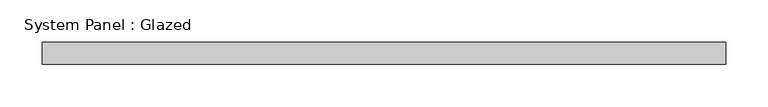
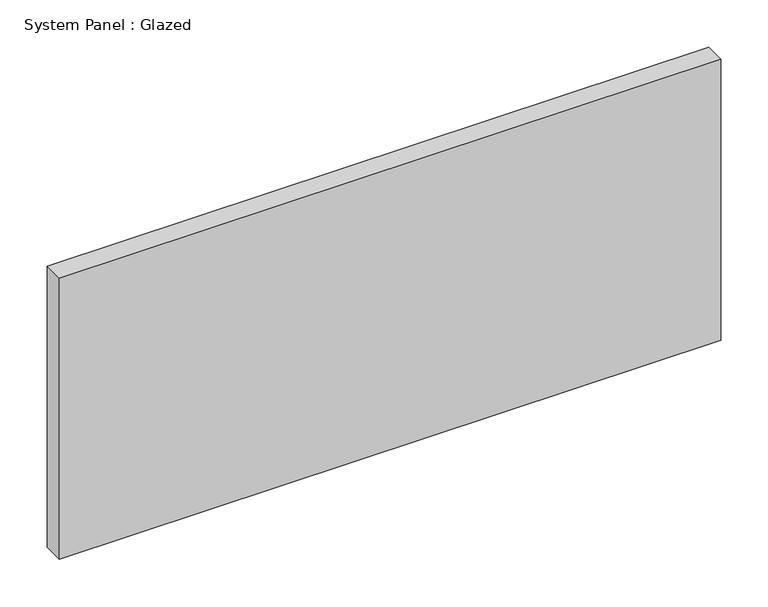
"""IFC4 building model written with IfcOpenShell, lengths in millimetres: plate geometry, System Panel : Glazed."""

from ifc_helpers import new_model, si_unit, origin, origin_with_axes, place, context, project, spatial, polyline, outline, extrude, source, transform, mapped, element, save


def system_panel_glazed_431955fc(model_context):
    return source(origin(), model_context, "Body", "SweptSolid", [
        extrude(outline(polyline([(402.2251713, -12.7), (-402.2251713, -12.7), (-402.2251713, 12.7), (402.2251713, 12.7), (402.2251713, -12.7)])), origin_with_axes(), (0.0, 0.0, 1.0), 361.45),
    ])


if __name__ == "__main__":
    model = new_model("IFC4")
    model_context = context("Model", 3, world=origin())
    ifc_project = project(units=[si_unit("LENGTHUNIT", "METRE", prefix="MILLI")], contexts=[model_context])
    site = spatial("IfcSite", under=ifc_project)
    building = spatial("IfcBuilding", under=site)
    placement = place(None, origin())
    system_panel_glazed_shape = system_panel_glazed_431955fc(model_context)
    element("IfcPlate", 1, ObjectType="System Panel : Glazed", at=placement, inside=building, context=model_context, shape_type="MappedRepresentation", body=[
        mapped(system_panel_glazed_shape, transform((0.0, 0.0, 0.0), x_axis=(1.0, 0.0, 0.0), y_axis=(0.0, 1.0, 0.0), z_axis=(0.0, 0.0, 1.0))),
    ])
    save(model, "model.ifc")
